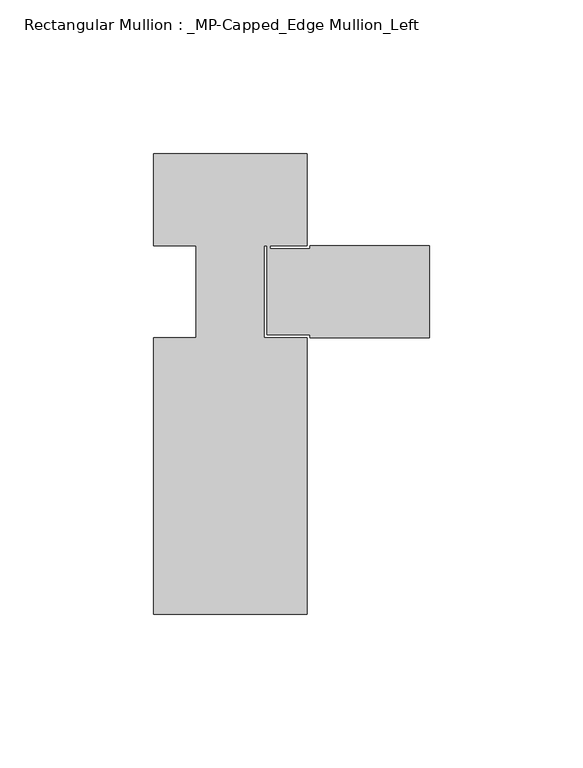
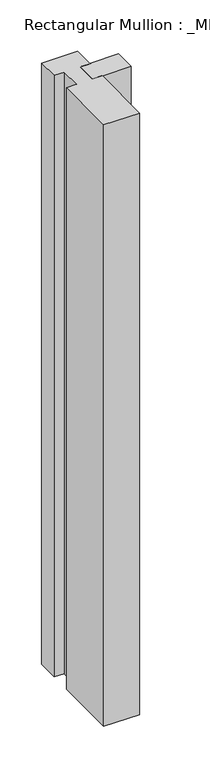
"""IFC4 building model written with IfcOpenShell, lengths in millimetres: member geometry, Rectangular Mullion : _MP-Capped_Edge Mullion_Left."""

from ifc_helpers import new_model, si_unit, frame, origin, place, context, project, spatial, polyline, outline, extrude, source, transform, mapped, element, save


def rectangular_mullion_mp_capped_edge_mullion_left_96aa4de8(model_context):
    return source(origin(), model_context, "Body", "SweptSolid", [
        extrude(outline(polyline([(-40.0, 0.0), (-40.0, -30.0), (-52.0, -30.0), (-52.0, -31.0), (-39.0, -31.0), (-39.0, -30.0), (0.0, -30.0), (0.0, -60.0), (-39.0, -60.0), (-39.0, -59.0), (-53.0, -59.0), (-53.0, -30.0), (-54.0, -30.0), (-54.0, -60.0), (-40.0, -60.0), (-40.0, -150.0), (-90.0, -150.0), (-90.0, -60.0), (-76.0, -60.0), (-76.0, -30.0), (-90.0, -30.0), (-90.0, 0.0), (-40.0, 0.0)])), frame((0.0, 0.0, -883.0341184), z_axis=(0.0, 0.0, 1.0), x_axis=(1.0, 0.0, 0.0)), (0.0, 0.0, 1.0), 883.0341184),
    ])


if __name__ == "__main__":
    model = new_model("IFC4")
    model_context = context("Model", 3, world=origin())
    ifc_project = project(units=[si_unit("LENGTHUNIT", "METRE", prefix="MILLI")], contexts=[model_context])
    site = spatial("IfcSite", under=ifc_project)
    building = spatial("IfcBuilding", under=site)
    placement = place(None, origin())
    rectangular_mullion_mp_capped_edge_mullion_left_shape = rectangular_mullion_mp_capped_edge_mullion_left_96aa4de8(model_context)
    element("IfcMember", 1, ObjectType="Rectangular Mullion : _MP-Capped_Edge Mullion_Left", at=placement, inside=building, context=model_context, shape_type="MappedRepresentation", body=[
        mapped(rectangular_mullion_mp_capped_edge_mullion_left_shape, transform((0.0, 0.0, 0.0), x_axis=(1.0, 0.0, 0.0), y_axis=(0.0, 1.0, 0.0), z_axis=(0.0, 0.0, 1.0))),
    ])
    save(model, "model.ifc")
